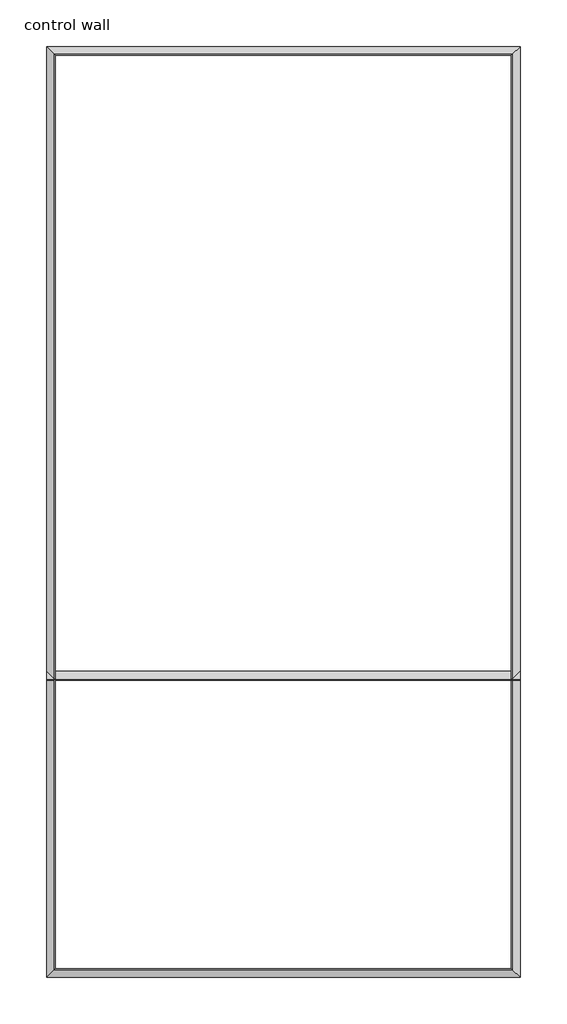
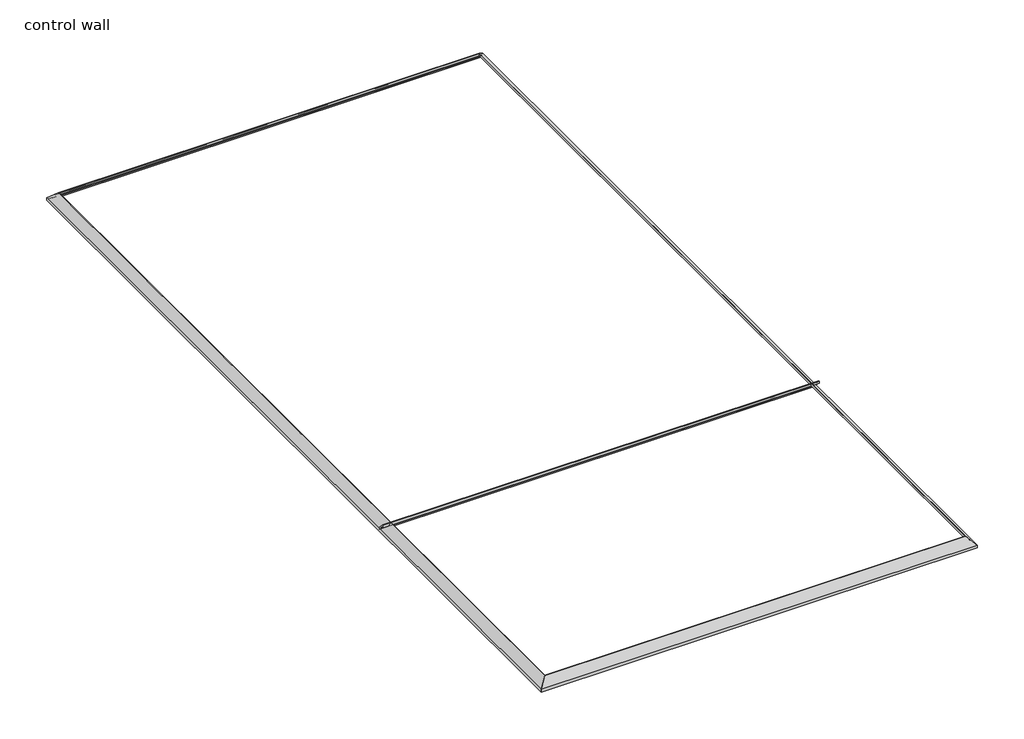
# One storey: 5 proxies.
"""IFC4 building model written with IfcOpenShell, lengths in millimetres."""

from ifc_helpers import new_model, si_unit, point, frame, frame_2d, origin, place, context, project, spatial, polyline, circle_curve, ellipse_curve, trimmed, segment, composite_curve, outline, extrude, element, save
from ifc_brep_helpers import plane_surface, cylinder_surface, revolved_surface, advanced_brep

model = new_model("IFC4")

# Units and contexts
model_context = context("Model", 3, world=origin())
ifc_project = project(units=[si_unit("LENGTHUNIT", "METRE", prefix="MILLI")], contexts=[model_context])

# Site, building, storey
site = spatial("IfcSite", under=ifc_project)
building = spatial("IfcBuilding", under=site)
storey = spatial("IfcBuildingStorey", under=building, Name="control wall", Elevation=2133.6)

# Proxies
placement = place(None, origin())
element("IfcBuildingElementProxy", 1, Name="Wall Sweeps", at=placement, inside=storey, context=model_context, shape_type="AdvancedBrep", body=[
    advanced_brep(
    [(18800.8279255, -10215.2660281, 2982.9793892), (18800.8279255, -10215.2660281, 2959.1), (18809.8081816, -10224.2462843, 2959.1), (18809.8081816, -10224.2462843, 2968.0802561), (18823.2785658, -10237.7166684, 2981.5506403), (18823.2785658, -10237.7166684, 2987.9006403), (18843.8032456, -10258.2413483, 3008.4253202), (18864.3279255, -10278.7660281, 3028.95), (18873.9512343, -10288.3893369, 3028.95), (18873.9512343, -10288.3893369, 3048.0), (18865.8485363, -10280.286639, 3048.0), (22687.316276, -10215.2660281, 2982.9793892), (22622.2956652, -10280.286639, 3048.0), (22614.1929672, -10288.3893369, 3048.0), (22614.1929672, -10288.3893369, 3028.95), (22623.816276, -10278.7660281, 3028.95), (22644.3409559, -10258.2413483, 3008.4253202), (22664.8656357, -10237.7166684, 2987.9006403), (22664.8656357, -10237.7166684, 2981.5506403), (22678.3360199, -10224.2462843, 2968.0802561), (22678.3360199, -10224.2462843, 2959.1), (22687.316276, -10215.2660281, 2959.1)],
    [
        (0, 1),
        (1, 2),
        (2, 3),
        (3, 4, ellipse_curve(frame((18823.2785658, -10237.7166684, 2968.0802561), z_axis=(0.7071067811865476, 0.7071067811865476, 0.0), x_axis=(0.7071067811865474, -0.7071067811865476, 0.0)), 19.05, 13.4703842)),
        (4, 5),
        (5, 6, ellipse_curve(frame((18823.2785658, -10237.7166684, 3008.4253202), z_axis=(-0.7071067811865476, -0.7071067811865476, 0.0), x_axis=(-0.7071067811865474, 0.7071067811865476, 0.0)), 29.0262806, 20.5246798)),
        (6, 7, ellipse_curve(frame((18864.3279255, -10278.7660281, 3008.4253202), z_axis=(0.7071067811865476, 0.7071067811865476, 0.0), x_axis=(0.7071067811865474, -0.7071067811865476, 0.0)), 29.0262806, 20.5246798)),
        (7, 8),
        (8, 9),
        (9, 10),
        (10, 0),
        (11, 12),
        (12, 13),
        (13, 14),
        (14, 15),
        (15, 16, ellipse_curve(frame((22623.816276, -10278.7660281, 3008.4253202), z_axis=(-0.707106781186544, 0.7071067811865511, 0.0), x_axis=(0.7071067811865509, 0.7071067811865441, 0.0)), 29.0262806, 20.5246798)),
        (16, 17, ellipse_curve(frame((22664.8656357, -10237.7166684, 3008.4253202), z_axis=(0.707106781186544, -0.7071067811865511, 0.0), x_axis=(-0.7071067811865509, -0.7071067811865441, 0.0)), 29.0262806, 20.5246798)),
        (17, 18),
        (18, 19, ellipse_curve(frame((22664.8656357, -10237.7166684, 2968.0802561), z_axis=(-0.707106781186544, 0.7071067811865511, 0.0), x_axis=(0.7071067811865509, 0.7071067811865441, 0.0)), 19.05, 13.4703842)),
        (19, 20),
        (20, 21),
        (21, 11),
        (0, 11),
        (21, 1),
        (9, 13),
        (12, 10),
        (20, 2),
        (19, 3),
        (18, 4),
        (17, 5),
        (16, 6),
        (15, 7),
        (14, 8),
    ],
    [
        plane_surface(frame((18800.8279255, -10215.2660281, 3263.9), z_axis=(-0.7071067811865476, -0.7071067811865476, 0.0), x_axis=(0.7071067811865476, -0.7071067811865476, 0.0))),
        plane_surface(frame((22687.316276, -10215.2660281, 3263.9), z_axis=(0.707106781186544, -0.7071067811865511, 0.0), x_axis=(-0.7071067811865511, -0.707106781186544, 0.0))),
        plane_surface(frame((18800.8279255, -10215.2660281, 2982.9793892), z_axis=(0.0, 1.0, 0.0), x_axis=(1.0, 0.0, 0.0))),
        plane_surface(frame((18873.9512343, -10288.3893369, 3048.0), z_axis=(0.0, 0.0, 1.0), x_axis=(1.0, 0.0, 0.0))),
        plane_surface(frame((18800.8279255, -10215.2660281, 2959.1), z_axis=(0.0, 0.0, -1.0), x_axis=(1.0, 0.0, 0.0))),
        plane_surface(frame((18809.8081816, -10224.2462843, 2959.1), z_axis=(0.0, -1.0, 0.0), x_axis=(1.0, 0.0, 0.0))),
        revolved_surface(polyline([(22678.3360199, -10251.1870526, 2968.0802561), (18809.8081816, -10251.1870526, 2968.0802561)]), (18800.8279255, -10237.7166684, 2968.0802561), (1.0, 0.0, 0.0)),
        plane_surface(frame((18823.2785658, -10237.7166684, 2981.5506403), z_axis=(0.0, -1.0, 0.0), x_axis=(1.0, 0.0, 0.0))),
        cylinder_surface(frame((18800.8279255, -10237.7166684, 3008.4253202), z_axis=(-1.0, 0.0, 0.0), x_axis=(0.0, -1.0, 0.0)), 20.5246798),
        revolved_surface(polyline([(22644.3409559, -10299.290707900002, 3008.4253202), (18843.8032456, -10299.290707900002, 3008.4253202)]), (18800.8279255, -10278.7660281, 3008.4253202), (1.0, 0.0, 0.0)),
        plane_surface(frame((18864.3279255, -10278.7660281, 3028.95), z_axis=(0.0, 0.0, -1.0), x_axis=(1.0, 0.0, 0.0))),
        plane_surface(frame((18873.9512343, -10288.3893369, 3028.95), z_axis=(0.0, -1.0, 0.0), x_axis=(1.0, 0.0, 0.0))),
        plane_surface(frame((18865.8485363, -10280.286639, 3048.0), z_axis=(0.0, 0.707106781186547, 0.707106781186548), x_axis=(1.0, 0.0, 0.0))),
    ],
    [
        (0, [[1, 2, 3, 4, 5, 6, 7, 8, 9, 10, 11]]),
        (1, [[12, 13, 14, 15, 16, 17, 18, 19, 20, 21, 22]]),
        (2, [[-1, 23, -22, 24]]),
        (3, [[-10, 25, -13, 26]]),
        (4, [[-2, -24, -21, 27]]),
        (5, [[-3, -27, -20, 28]]),
        (6, [[-4, -28, -19, 29]]),
        (7, [[-5, -29, -18, 30]]),
        (8, [[-6, -30, -17, 31]]),
        (9, [[-7, -31, -16, 32]]),
        (10, [[-8, -32, -15, 33]]),
        (11, [[-9, -33, -14, -25]]),
        (12, [[-11, -26, -12, -23]]),
    ],
),
])
element("IfcBuildingElementProxy", 2, Name="Wall Sweeps", at=placement, inside=storey, context=model_context, shape_type="AdvancedBrep", body=[
    advanced_brep(
    [(18800.8279255, -17855.5377894, 2982.9793892), (18800.8279255, -17855.5377894, 2959.1), (18809.8081816, -17846.5575333, 2959.1), (18809.8081816, -17846.5575333, 2968.0802561), (18823.2785658, -17833.0871491, 2981.5506403), (18823.2785658, -17833.0871491, 2987.9006403), (18843.8032456, -17812.5624692, 3008.4253202), (18864.3279255, -17792.0377894, 3028.95), (18873.9512343, -17782.4144806, 3028.95), (18873.9512343, -17782.4144806, 3048.0), (18865.8485363, -17790.5171786, 3048.0), (18800.8279255, -10215.2660281, 2982.9793892), (18865.8485363, -10280.286639, 3048.0), (18873.9512343, -10288.3893369, 3048.0), (18873.9512343, -10288.3893369, 3028.95), (18864.3279255, -10278.7660281, 3028.95), (18843.8032456, -10258.2413483, 3008.4253202), (18823.2785658, -10237.7166684, 2987.9006403), (18823.2785658, -10237.7166684, 2981.5506403), (18809.8081816, -10224.2462843, 2968.0802561), (18809.8081816, -10224.2462843, 2959.1), (18800.8279255, -10215.2660281, 2959.1)],
    [
        (0, 1),
        (1, 2),
        (2, 3),
        (3, 4, ellipse_curve(frame((18823.2785658, -17833.0871491, 2968.0802561), z_axis=(-0.7071067811865476, 0.7071067811865476, 0.0), x_axis=(0.7071067811865476, 0.7071067811865474, 0.0)), 19.05, 13.4703842)),
        (4, 5),
        (5, 6, ellipse_curve(frame((18823.2785658, -17833.0871491, 3008.4253202), z_axis=(0.7071067811865476, -0.7071067811865476, 0.0), x_axis=(-0.7071067811865476, -0.7071067811865474, 0.0)), 29.0262806, 20.5246798)),
        (6, 7, ellipse_curve(frame((18864.3279255, -17792.0377894, 3008.4253202), z_axis=(-0.7071067811865476, 0.7071067811865476, 0.0), x_axis=(0.7071067811865476, 0.7071067811865474, 0.0)), 29.0262806, 20.5246798)),
        (7, 8),
        (8, 9),
        (9, 10),
        (10, 0),
        (11, 12),
        (12, 13),
        (13, 14),
        (14, 15),
        (15, 16, ellipse_curve(frame((18864.3279255, -10278.7660281, 3008.4253202), z_axis=(-0.7071067811865476, -0.7071067811865476, 0.0), x_axis=(-0.7071067811865476, 0.7071067811865474, 0.0)), 29.0262806, 20.5246798)),
        (16, 17, ellipse_curve(frame((18823.2785658, -10237.7166684, 3008.4253202), z_axis=(0.7071067811865476, 0.7071067811865476, 0.0), x_axis=(0.7071067811865476, -0.7071067811865474, 0.0)), 29.0262806, 20.5246798)),
        (17, 18),
        (18, 19, ellipse_curve(frame((18823.2785658, -10237.7166684, 2968.0802561), z_axis=(-0.7071067811865476, -0.7071067811865476, 0.0), x_axis=(-0.7071067811865476, 0.7071067811865474, 0.0)), 19.05, 13.4703842)),
        (19, 20),
        (20, 21),
        (21, 11),
        (0, 11),
        (21, 1),
        (9, 13),
        (12, 10),
        (20, 2),
        (19, 3),
        (18, 4),
        (17, 5),
        (16, 6),
        (15, 7),
        (14, 8),
    ],
    [
        plane_surface(frame((18800.8279255, -17855.5377894, 3263.9), z_axis=(0.7071067811865476, -0.7071067811865476, 0.0), x_axis=(0.7071067811865476, 0.7071067811865476, 0.0))),
        plane_surface(frame((18800.8279255, -10215.2660281, 3263.9), z_axis=(0.7071067811865476, 0.7071067811865476, 0.0), x_axis=(0.7071067811865476, -0.7071067811865476, 0.0))),
        plane_surface(frame((18800.8279255, -17855.5377894, 2982.9793892), z_axis=(-1.0, 0.0, 0.0), x_axis=(0.0, 1.0, 0.0))),
        plane_surface(frame((18873.9512343, -17782.4144806, 3048.0), z_axis=(0.0, 0.0, 1.0), x_axis=(0.0, 1.0, 0.0))),
        plane_surface(frame((18800.8279255, -17855.5377894, 2959.1), z_axis=(0.0, 0.0, -1.0), x_axis=(0.0, 1.0, 0.0))),
        plane_surface(frame((18809.8081816, -17846.5575333, 2959.1), z_axis=(1.0, 0.0, 0.0), x_axis=(0.0, 1.0, 0.0))),
        revolved_surface(polyline([(18836.74895, -10224.246284218396, 2968.0802561), (18836.74895, -17846.5575333, 2968.0802561)]), (18823.2785658, -17855.5377894, 2968.0802561), (0.0, 1.0, 0.0)),
        plane_surface(frame((18823.2785658, -17833.0871491, 2981.5506403), z_axis=(1.0, 0.0, 0.0), x_axis=(0.0, 1.0, 0.0))),
        cylinder_surface(frame((18823.2785658, -17855.5377894, 3008.4253202), z_axis=(0.0, -1.0, 0.0), x_axis=(1.0, 0.0, 0.0)), 20.5246798),
        revolved_surface(polyline([(18884.852605300002, -10258.241348255116, 3008.4253202), (18884.852605300002, -17812.562469244884, 3008.4253202)]), (18864.3279255, -17855.5377894, 3008.4253202), (0.0, 1.0, 0.0)),
        plane_surface(frame((18864.3279255, -17792.0377894, 3028.95), z_axis=(0.0, 0.0, -1.0), x_axis=(0.0, 1.0, 0.0))),
        plane_surface(frame((18873.9512343, -17782.4144806, 3028.95), z_axis=(1.0, 0.0, 0.0), x_axis=(0.0, 1.0, 0.0))),
        plane_surface(frame((18865.8485363, -17790.5171786, 3048.0), z_axis=(-0.707106781186547, 0.0, 0.707106781186548), x_axis=(0.0, 1.0, 0.0))),
    ],
    [
        (0, [[1, 2, 3, 4, 5, 6, 7, 8, 9, 10, 11]]),
        (1, [[12, 13, 14, 15, 16, 17, 18, 19, 20, 21, 22]]),
        (2, [[-1, 23, -22, 24]]),
        (3, [[-10, 25, -13, 26]]),
        (4, [[-2, -24, -21, 27]]),
        (5, [[-3, -27, -20, 28]]),
        (6, [[-4, -28, -19, 29]]),
        (7, [[-5, -29, -18, 30]]),
        (8, [[-6, -30, -17, 31]]),
        (9, [[-7, -31, -16, 32]]),
        (10, [[-8, -32, -15, 33]]),
        (11, [[-9, -33, -14, -25]]),
        (12, [[-11, -26, -12, -23]]),
    ],
),
])
element("IfcBuildingElementProxy", 3, Name="Wall Sweeps", at=placement, inside=storey, context=model_context, shape_type="AdvancedBrep", body=[
    advanced_brep(
    [(22687.316276, -17855.5377894, 2982.9793892), (22687.316276, -17855.5377894, 2959.1), (22678.3360199, -17846.5575333, 2959.1), (22678.3360199, -17846.5575333, 2968.0802561), (22664.8656357, -17833.0871491, 2981.5506403), (22664.8656357, -17833.0871491, 2987.9006403), (22644.3409559, -17812.5624692, 3008.4253202), (22623.816276, -17792.0377894, 3028.95), (22614.1929672, -17782.4144806, 3028.95), (22614.1929672, -17782.4144806, 3048.0), (22622.2956652, -17790.5171786, 3048.0), (18800.8279255, -17855.5377894, 2982.9793892), (18865.8485363, -17790.5171786, 3048.0), (18873.9512343, -17782.4144806, 3048.0), (18873.9512343, -17782.4144806, 3028.95), (18864.3279255, -17792.0377894, 3028.95), (18843.8032456, -17812.5624692, 3008.4253202), (18823.2785658, -17833.0871491, 2987.9006403), (18823.2785658, -17833.0871491, 2981.5506403), (18809.8081816, -17846.5575333, 2968.0802561), (18809.8081816, -17846.5575333, 2959.1), (18800.8279255, -17855.5377894, 2959.1)],
    [
        (0, 1),
        (1, 2),
        (2, 3),
        (3, 4, ellipse_curve(frame((22664.8656357, -17833.0871491, 2968.0802561), z_axis=(-0.707106781186544, -0.7071067811865511, 0.0), x_axis=(-0.7071067811865509, 0.7071067811865441, 0.0)), 19.05, 13.4703842)),
        (4, 5),
        (5, 6, ellipse_curve(frame((22664.8656357, -17833.0871491, 3008.4253202), z_axis=(0.707106781186544, 0.7071067811865511, 0.0), x_axis=(0.7071067811865509, -0.7071067811865441, 0.0)), 29.0262806, 20.5246798)),
        (6, 7, ellipse_curve(frame((22623.816276, -17792.0377894, 3008.4253202), z_axis=(-0.707106781186544, -0.7071067811865511, 0.0), x_axis=(-0.7071067811865509, 0.7071067811865441, 0.0)), 29.0262806, 20.5246798)),
        (7, 8),
        (8, 9),
        (9, 10),
        (10, 0),
        (11, 12),
        (12, 13),
        (13, 14),
        (14, 15),
        (15, 16, ellipse_curve(frame((18864.3279255, -17792.0377894, 3008.4253202), z_axis=(0.7071067811865476, -0.7071067811865476, 0.0), x_axis=(-0.7071067811865474, -0.7071067811865476, 0.0)), 29.0262806, 20.5246798)),
        (16, 17, ellipse_curve(frame((18823.2785658, -17833.0871491, 3008.4253202), z_axis=(-0.7071067811865476, 0.7071067811865476, 0.0), x_axis=(0.7071067811865474, 0.7071067811865476, 0.0)), 29.0262806, 20.5246798)),
        (17, 18),
        (18, 19, ellipse_curve(frame((18823.2785658, -17833.0871491, 2968.0802561), z_axis=(0.7071067811865476, -0.7071067811865476, 0.0), x_axis=(-0.7071067811865474, -0.7071067811865476, 0.0)), 19.05, 13.4703842)),
        (19, 20),
        (20, 21),
        (21, 11),
        (0, 11),
        (21, 1),
        (9, 13),
        (12, 10),
        (20, 2),
        (19, 3),
        (18, 4),
        (17, 5),
        (16, 6),
        (15, 7),
        (14, 8),
    ],
    [
        plane_surface(frame((22687.316276, -17855.5377894, 3263.9), z_axis=(0.707106781186544, 0.7071067811865511, 0.0), x_axis=(-0.7071067811865511, 0.707106781186544, 0.0))),
        plane_surface(frame((18800.8279255, -17855.5377894, 3263.9), z_axis=(-0.7071067811865476, 0.7071067811865476, 0.0), x_axis=(0.7071067811865476, 0.7071067811865476, 0.0))),
        plane_surface(frame((22687.316276, -17855.5377894, 2982.9793892), z_axis=(0.0, -1.0, 0.0), x_axis=(-1.0, 0.0, 0.0))),
        plane_surface(frame((22614.1929672, -17782.4144806, 3048.0), z_axis=(0.0, 0.0, 1.0), x_axis=(-1.0, 0.0, 0.0))),
        plane_surface(frame((22687.316276, -17855.5377894, 2959.1), z_axis=(0.0, 0.0, -1.0), x_axis=(-1.0, 0.0, 0.0))),
        plane_surface(frame((22678.3360199, -17846.5575333, 2959.1), z_axis=(0.0, 1.0, 0.0), x_axis=(-1.0, 0.0, 0.0))),
        revolved_surface(polyline([(18809.8081816, -17819.616764899998, 2968.0802561), (22678.3360199, -17819.616764899998, 2968.0802561)]), (22687.316276, -17833.0871491, 2968.0802561), (-1.0, 0.0, 0.0)),
        plane_surface(frame((22664.8656357, -17833.0871491, 2981.5506403), z_axis=(0.0, 1.0, 0.0), x_axis=(-1.0, 0.0, 0.0))),
        cylinder_surface(frame((22687.316276, -17833.0871491, 3008.4253202), z_axis=(1.0, 0.0, 0.0), x_axis=(0.0, 1.0, 0.0)), 20.5246798),
        revolved_surface(polyline([(18843.8032456, -17771.5131096, 3008.4253202), (22644.3409559, -17771.5131096, 3008.4253202)]), (22687.316276, -17792.0377894, 3008.4253202), (-1.0, 0.0, 0.0)),
        plane_surface(frame((22623.816276, -17792.0377894, 3028.95), z_axis=(0.0, 0.0, -1.0), x_axis=(-1.0, 0.0, 0.0))),
        plane_surface(frame((22614.1929672, -17782.4144806, 3028.95), z_axis=(0.0, 1.0, 0.0), x_axis=(-1.0, 0.0, 0.0))),
        plane_surface(frame((22622.2956652, -17790.5171786, 3048.0), z_axis=(0.0, -0.707106781186547, 0.707106781186548), x_axis=(-1.0, 0.0, 0.0))),
    ],
    [
        (0, [[1, 2, 3, 4, 5, 6, 7, 8, 9, 10, 11]]),
        (1, [[12, 13, 14, 15, 16, 17, 18, 19, 20, 21, 22]]),
        (2, [[-1, 23, -22, 24]]),
        (3, [[-10, 25, -13, 26]]),
        (4, [[-2, -24, -21, 27]]),
        (5, [[-3, -27, -20, 28]]),
        (6, [[-4, -28, -19, 29]]),
        (7, [[-5, -29, -18, 30]]),
        (8, [[-6, -30, -17, 31]]),
        (9, [[-7, -31, -16, 32]]),
        (10, [[-8, -32, -15, 33]]),
        (11, [[-9, -33, -14, -25]]),
        (12, [[-11, -26, -12, -23]]),
    ],
),
])
element("IfcBuildingElementProxy", 4, Name="Wall Sweeps", at=placement, inside=storey, context=model_context, shape_type="AdvancedBrep", body=[
    advanced_brep(
    [(22687.316276, -10215.2660281, 2982.9793892), (22687.316276, -10215.2660281, 2959.1), (22678.3360199, -10224.2462843, 2959.1), (22678.3360199, -10224.2462843, 2968.0802561), (22664.8656357, -10237.7166684, 2981.5506403), (22664.8656357, -10237.7166684, 2987.9006403), (22644.3409559, -10258.2413483, 3008.4253202), (22623.816276, -10278.7660281, 3028.95), (22614.1929672, -10288.3893369, 3028.95), (22614.1929672, -10288.3893369, 3048.0), (22622.2956652, -10280.286639, 3048.0), (22687.316276, -17855.5377894, 2982.9793892), (22622.2956652, -17790.5171786, 3048.0), (22614.1929672, -17782.4144806, 3048.0), (22614.1929672, -17782.4144806, 3028.95), (22623.816276, -17792.0377894, 3028.95), (22644.3409559, -17812.5624692, 3008.4253202), (22664.8656357, -17833.0871491, 2987.9006403), (22664.8656357, -17833.0871491, 2981.5506403), (22678.3360199, -17846.5575333, 2968.0802561), (22678.3360199, -17846.5575333, 2959.1), (22687.316276, -17855.5377894, 2959.1)],
    [
        (0, 1),
        (1, 2),
        (2, 3),
        (3, 4, ellipse_curve(frame((22664.8656357, -10237.7166684, 2968.0802561), z_axis=(0.707106781186544, -0.7071067811865511, 0.0), x_axis=(-0.7071067811865511, -0.7071067811865438, 0.0)), 19.05, 13.4703842)),
        (4, 5),
        (5, 6, ellipse_curve(frame((22664.8656357, -10237.7166684, 3008.4253202), z_axis=(-0.707106781186544, 0.7071067811865511, 0.0), x_axis=(0.7071067811865511, 0.7071067811865438, 0.0)), 29.0262806, 20.5246798)),
        (6, 7, ellipse_curve(frame((22623.816276, -10278.7660281, 3008.4253202), z_axis=(0.707106781186544, -0.7071067811865511, 0.0), x_axis=(-0.7071067811865511, -0.7071067811865438, 0.0)), 29.0262806, 20.5246798)),
        (7, 8),
        (8, 9),
        (9, 10),
        (10, 0),
        (11, 12),
        (12, 13),
        (13, 14),
        (14, 15),
        (15, 16, ellipse_curve(frame((22623.816276, -17792.0377894, 3008.4253202), z_axis=(0.707106781186544, 0.7071067811865511, 0.0), x_axis=(0.7071067811865511, -0.7071067811865438, 0.0)), 29.0262806, 20.5246798)),
        (16, 17, ellipse_curve(frame((22664.8656357, -17833.0871491, 3008.4253202), z_axis=(-0.707106781186544, -0.7071067811865511, 0.0), x_axis=(-0.7071067811865511, 0.7071067811865438, 0.0)), 29.0262806, 20.5246798)),
        (17, 18),
        (18, 19, ellipse_curve(frame((22664.8656357, -17833.0871491, 2968.0802561), z_axis=(0.707106781186544, 0.7071067811865511, 0.0), x_axis=(0.7071067811865511, -0.7071067811865438, 0.0)), 19.05, 13.4703842)),
        (19, 20),
        (20, 21),
        (21, 11),
        (0, 11),
        (21, 1),
        (9, 13),
        (12, 10),
        (20, 2),
        (19, 3),
        (18, 4),
        (17, 5),
        (16, 6),
        (15, 7),
        (14, 8),
    ],
    [
        plane_surface(frame((22687.316276, -10215.2660281, 3263.9), z_axis=(-0.707106781186544, 0.7071067811865511, 0.0), x_axis=(-0.7071067811865511, -0.707106781186544, 0.0))),
        plane_surface(frame((22687.316276, -17855.5377894, 3263.9), z_axis=(-0.707106781186544, -0.7071067811865511, 0.0), x_axis=(-0.7071067811865511, 0.707106781186544, 0.0))),
        plane_surface(frame((22687.316276, -10215.2660281, 2982.9793892), z_axis=(1.0, 0.0, 0.0), x_axis=(0.0, -1.0, 0.0))),
        plane_surface(frame((22614.1929672, -10288.3893369, 3048.0), z_axis=(0.0, 0.0, 1.0), x_axis=(0.0, -1.0, 0.0))),
        plane_surface(frame((22687.316276, -10215.2660281, 2959.1), z_axis=(0.0, 0.0, -1.0), x_axis=(0.0, -1.0, 0.0))),
        plane_surface(frame((22678.3360199, -10224.2462843, 2959.1), z_axis=(-1.0, 0.0, 0.0), x_axis=(0.0, -1.0, 0.0))),
        revolved_surface(polyline([(22651.3952515, -17846.5575333, 2968.0802561), (22651.3952515, -10224.246284218396, 2968.0802561)]), (22664.8656357, -10215.2660281, 2968.0802561), (0.0, -1.0, 0.0)),
        plane_surface(frame((22664.8656357, -10237.7166684, 2981.5506403), z_axis=(-1.0, 0.0, 0.0), x_axis=(0.0, -1.0, 0.0))),
        cylinder_surface(frame((22664.8656357, -10215.2660281, 3008.4253202), z_axis=(0.0, 1.0, 0.0), x_axis=(-1.0, 0.0, 0.0)), 20.5246798),
        revolved_surface(polyline([(22603.2915962, -17812.562469244884, 3008.4253202), (22603.2915962, -10258.241348255116, 3008.4253202)]), (22623.816276, -10215.2660281, 3008.4253202), (0.0, -1.0, 0.0)),
        plane_surface(frame((22623.816276, -10278.7660281, 3028.95), z_axis=(0.0, 0.0, -1.0), x_axis=(0.0, -1.0, 0.0))),
        plane_surface(frame((22614.1929672, -10288.3893369, 3028.95), z_axis=(-1.0, 0.0, 0.0), x_axis=(0.0, -1.0, 0.0))),
        plane_surface(frame((22622.2956652, -10280.286639, 3048.0), z_axis=(0.707106781186547, 0.0, 0.707106781186548), x_axis=(0.0, -1.0, 0.0))),
    ],
    [
        (0, [[1, 2, 3, 4, 5, 6, 7, 8, 9, 10, 11]]),
        (1, [[12, 13, 14, 15, 16, 17, 18, 19, 20, 21, 22]]),
        (2, [[-1, 23, -22, 24]]),
        (3, [[-10, 25, -13, 26]]),
        (4, [[-2, -24, -21, 27]]),
        (5, [[-3, -27, -20, 28]]),
        (6, [[-4, -28, -19, 29]]),
        (7, [[-5, -29, -18, 30]]),
        (8, [[-6, -30, -17, 31]]),
        (9, [[-7, -31, -16, 32]]),
        (10, [[-8, -32, -15, 33]]),
        (11, [[-9, -33, -14, -25]]),
        (12, [[-11, -26, -12, -23]]),
    ],
),
])
element("IfcBuildingElementProxy", 5, Name="Wall Sweeps", at=placement, inside=storey, context=model_context, shape_type="SweptSolid", body=[
    extrude(outline(composite_curve([segment(polyline([(-15341.2502894, 2982.9793892), (-15341.2502894, 2959.1), (-15350.2305455, 2959.1), (-15350.2305455, 2968.0802561)]), True, "CONTINUOUS"), segment(trimmed(circle_curve(frame_2d((-15363.7009297, 2968.0802561)), 13.4703842), [point((-15350.2305455, 2968.0802561))], [point((-15363.7009297, 2981.5506403))], True, "CARTESIAN"), True, "CONTINUOUS"), segment(polyline([(-15363.7009297, 2981.5506403), (-15363.7009297, 2987.9006403)]), True, "CONTINUOUS"), segment(trimmed(circle_curve(frame_2d((-15363.7009297, 3008.4253202)), 20.5246798), [point((-15363.7009297, 2987.9006403))], [point((-15384.2256095, 3008.4253202))], False, "CARTESIAN"), True, "CONTINUOUS"), segment(trimmed(circle_curve(frame_2d((-15404.7502894, 3008.4253202)), 20.5246798), [point((-15384.2256095, 3008.4253202))], [point((-15404.7502894, 3028.95))], True, "CARTESIAN"), True, "CONTINUOUS"), segment(polyline([(-15404.7502894, 3028.95), (-15414.3735982, 3028.95), (-15414.3735982, 3048.0), (-15406.2709002, 3048.0), (-15341.2502894, 2982.9793892)]), True, "CONTINUOUS")], self_intersect=False)), frame((18800.8279255, 0.0, 0.0), z_axis=(1.0, 0.0, 0.0), x_axis=(0.0, 1.0, 0.0)), (0.0, 0.0, 1.0), 3886.4883505),
])

save(model, "model.ifc")
